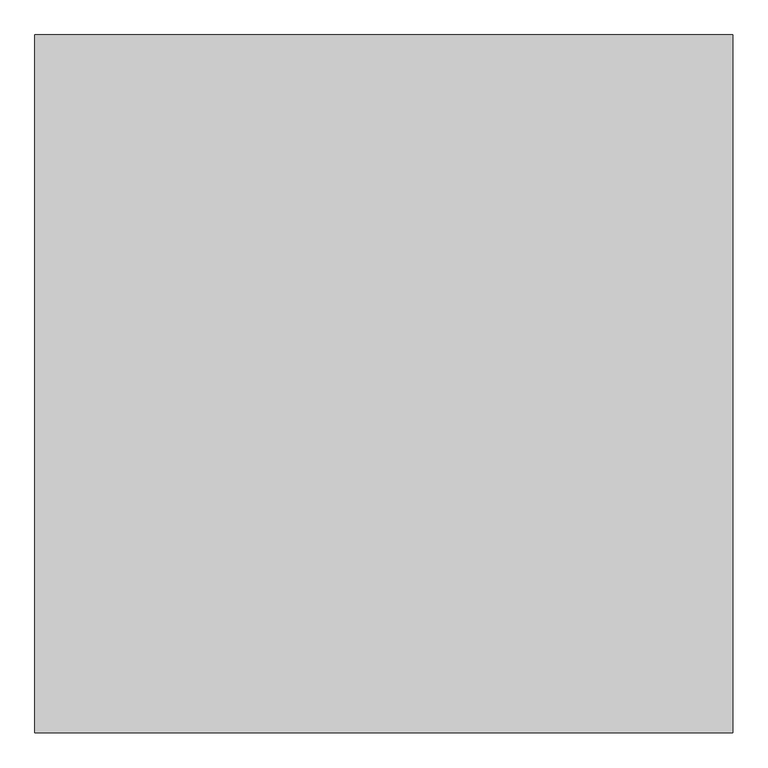
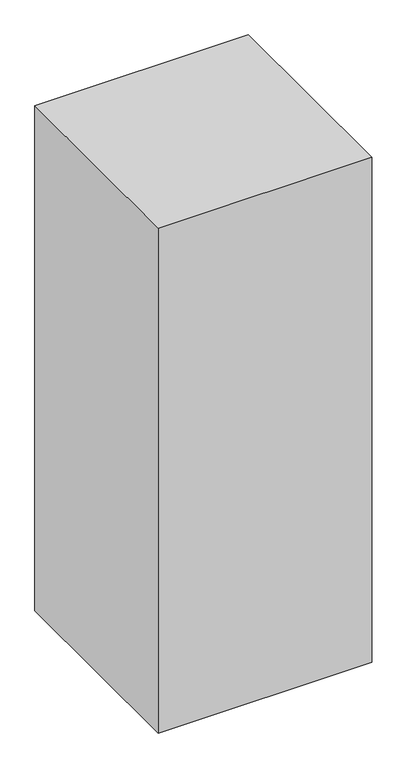
"""IFC4 building model written with IfcOpenShell, lengths in millimetres: proxy geometry."""

import ifcopenshell
import ifcopenshell.guid

model = None  # the IFC model being written
_history = None  # IfcOwnerHistory: only IFC2X3 demands one
_inside = {}  # id of a spatial element -> (the spatial element, [elements in it])
_under = {}  # id of a project, library or spatial element -> (it, [spatial elements below it])
_declared = {}  # id of a project -> (the project, [libraries it declares])
_typed = {}  # id of a type object -> (the type object, [elements of that type])
_made_of = {}  # id of a material, layer set ... -> (it, [elements and type objects made of it])


def new_model(schema):
    """Start an empty IFC model of exactly this schema.

    Asked for "IFC4X3", IfcOpenShell would pick the latest addendum, in which some entities
    have other attributes; the version numbers below select the first issue.
    IFC2X3 requires an IfcOwnerHistory on every rooted entity: one is made here for all.
    """
    global model, _history
    if schema == "IFC4X3":
        model = ifcopenshell.file(schema_version=(4, 3, 0, 0))
    else:
        model = ifcopenshell.file(schema=schema)
    _inside.clear()
    _under.clear()
    _declared.clear()
    _typed.clear()
    _made_of.clear()
    _history = None
    if model.schema == "IFC2X3":
        org = make("IfcOrganization", Name="unknown")
        user = make(
            "IfcPersonAndOrganization",
            ThePerson=make("IfcPerson", FamilyName="unknown"),
            TheOrganization=org,
        )
        app = make(
            "IfcApplication",
            ApplicationDeveloper=org,
            Version="unknown",
            ApplicationFullName="unknown",
            ApplicationIdentifier="unknown",
        )
        _history = make(
            "IfcOwnerHistory",
            OwningUser=user,
            OwningApplication=app,
            ChangeAction="ADDED",
            CreationDate=0,
        )
    return model


def make(cls, **values):
    """One entity of the class cls with the attributes given. An attribute that is None is left unset."""
    return model.create_entity(
        cls, **{name: value for name, value in values.items() if value is not None}
    )


def rooted(cls, **values):
    """An entity with a GlobalId (a new one), such as an element, a storey or a relation."""
    return make(cls, GlobalId=ifcopenshell.guid.new(), OwnerHistory=_history, **values)


def si_unit(unit_type, name, prefix=None):
    """IfcSIUnit, for example si_unit("LENGTHUNIT", "METRE", prefix="MILLI")."""
    return make("IfcSIUnit", UnitType=unit_type, Prefix=prefix, Name=name)


def assignment(units):
    """IfcUnitAssignment: the units of a project."""
    return None if units is None else make("IfcUnitAssignment", Units=units)


def point(xyz):
    """IfcCartesianPoint."""
    return None if xyz is None else make("IfcCartesianPoint", Coordinates=xyz)


def direction(xyz):
    """IfcDirection."""
    return None if xyz is None else make("IfcDirection", DirectionRatios=xyz)


def frame(location, z_axis=None, x_axis=None):
    """IfcAxis2Placement3D, a coordinate frame: its origin and axes. An axis left out is left unset."""
    return make(
        "IfcAxis2Placement3D",
        Location=point(location),
        Axis=direction(z_axis),
        RefDirection=direction(x_axis),
    )


def origin():
    """The frame at (0, 0, 0) with its axes left unset."""
    return frame((0.0, 0.0, 0.0))


def origin_with_axes():
    """The frame at (0, 0, 0) with the z axis (0, 0, 1) and the x axis (1, 0, 0) written out."""
    return frame((0.0, 0.0, 0.0), z_axis=(0.0, 0.0, 1.0), x_axis=(1.0, 0.0, 0.0))


def place(relative_to, where):
    """IfcLocalPlacement: puts the frame where relative to a parent placement (None: the world)."""
    return make(
        "IfcLocalPlacement", PlacementRelTo=relative_to, RelativePlacement=where
    )


def context(
    kind, dimensions, precision=None, world=None, true_north=None, identifier=None
):
    """IfcGeometricRepresentationContext, for example the 3D "Model" context."""
    return make(
        "IfcGeometricRepresentationContext",
        ContextIdentifier=identifier,
        ContextType=kind,
        CoordinateSpaceDimension=dimensions,
        Precision=precision,
        WorldCoordinateSystem=world,
        TrueNorth=true_north,
    )


def project(units=None, contexts=None):
    """IfcProject with its units and contexts."""
    return rooted(
        "IfcProject",
        Name="project",
        RepresentationContexts=contexts,
        UnitsInContext=assignment(units),
    )


def spatial(cls, under=None, at=None, **own):
    """A site, building, storey or space (cls), placed at a placement, below another one or the project."""
    s = rooted(cls, ObjectPlacement=at, **own)
    if under is not None:
        _under.setdefault(under.id(), (under, []))[1].append(s)
    return s


def polyline(points):
    """IfcPolyline through the points."""
    return make("IfcPolyline", Points=[point(p) for p in points])


def outline(outer, holes=None, kind="AREA"):
    """IfcArbitraryClosedProfileDef: a profile drawn as a closed curve; with holes, ...WithVoids."""
    if holes is None:
        return make("IfcArbitraryClosedProfileDef", ProfileType=kind, OuterCurve=outer)
    return make(
        "IfcArbitraryProfileDefWithVoids",
        ProfileType=kind,
        OuterCurve=outer,
        InnerCurves=holes,
    )


def extrude(swept, where, along, depth):
    """IfcExtrudedAreaSolid: the profile swept, set in the frame where, extruded along a direction by depth."""
    return make(
        "IfcExtrudedAreaSolid",
        SweptArea=swept,
        Position=where,
        ExtrudedDirection=direction(along),
        Depth=depth,
    )


def shape(context_of_items, identifier, shape_type, items):
    """IfcShapeRepresentation: the items that make up one representation, for example the "Body"."""
    return make(
        "IfcShapeRepresentation",
        ContextOfItems=context_of_items,
        RepresentationIdentifier=identifier,
        RepresentationType=shape_type,
        Items=items,
    )


def source(mapping_origin, context_of_items, identifier, shape_type, items):
    """IfcRepresentationMap: a shape defined once, which mapped items show again and again."""
    return make(
        "IfcRepresentationMap",
        MappingOrigin=mapping_origin,
        MappedRepresentation=shape(context_of_items, identifier, shape_type, items),
    )


def transform(
    local_origin,
    x_axis=None,
    y_axis=None,
    z_axis=None,
    scale=None,
    scale2=None,
    scale3=None,
    uniform=True,
):
    """IfcCartesianTransformationOperator3D, or its non-uniform kind. x_axis, y_axis, z_axis: its Axis1, 2, 3."""
    if uniform:
        return make(
            "IfcCartesianTransformationOperator3D",
            Axis1=direction(x_axis),
            Axis2=direction(y_axis),
            LocalOrigin=point(local_origin),
            Scale=scale,
            Axis3=direction(z_axis),
        )
    return make(
        "IfcCartesianTransformationOperator3DnonUniform",
        Axis1=direction(x_axis),
        Axis2=direction(y_axis),
        LocalOrigin=point(local_origin),
        Scale=scale,
        Axis3=direction(z_axis),
        Scale2=scale2,
        Scale3=scale3,
    )


def mapped(mapping_source, mapping_target):
    """IfcMappedItem: shows the shape of a source again, moved by a transform."""
    return make(
        "IfcMappedItem", MappingSource=mapping_source, MappingTarget=mapping_target
    )


def made_of(thing, what):
    """Note that an element or type object is made of a material, layer set ...; save() writes the relation."""
    if what is not None:
        _made_of.setdefault(what.id(), (what, []))[1].append(thing)
    return thing


def element(
    cls,
    number,
    at=None,
    inside=None,
    cuts=None,
    type_object=None,
    material=None,
    context=None,
    identifier="Body",
    shape_type=None,
    held_by="IfcProductDefinitionShape",
    body=None,
    shapes=None,
    **own,
):
    """One element of the class cls, such as IfcWall. Its Tag is "e" and its number.

    at: its placement. inside: the storey or other place that contains it. cuts: it is an
    opening in that element (IfcRelVoidsElement). A single representation is given by context,
    identifier, shape_type and body (its items); several are given by shapes. held_by: the class
    of the entity that holds the representations. save() writes the other relations.
    """
    e = rooted(cls, Tag="e%d" % number, ObjectPlacement=at, **own)
    if body is not None:
        shapes = [shape(context, identifier, shape_type, body)]
    if shapes is not None:
        e.Representation = make(held_by, Representations=shapes)
    if inside is not None:
        _inside.setdefault(inside.id(), (inside, []))[1].append(e)
    if cuts is not None:
        rooted(
            "IfcRelVoidsElement", RelatingBuildingElement=cuts, RelatedOpeningElement=e
        )
    if type_object is not None:
        _typed.setdefault(type_object.id(), (type_object, []))[1].append(e)
    return made_of(e, material)


def aggregate(whole, parts):
    """IfcRelAggregates: a whole, such as a stair, and the parts it consists of."""
    return rooted("IfcRelAggregates", RelatingObject=whole, RelatedObjects=parts)


def save(model, path):
    """Write the relations noted so far, then the file.

    IfcRelAggregates (storeys below a building ...), IfcRelContainedInSpatialStructure (elements
    in a storey), IfcRelDefinesByType, IfcRelAssociatesMaterial and IfcRelDeclares: one each for
    every whole, place, type object, material and project.
    """
    for whole, parts in _under.values():
        aggregate(whole, parts)
    for where, things in _inside.values():
        rooted(
            "IfcRelContainedInSpatialStructure",
            RelatedElements=things,
            RelatingStructure=where,
        )
    for kind, things in _typed.values():
        rooted("IfcRelDefinesByType", RelatedObjects=things, RelatingType=kind)
    for what, things in _made_of.values():
        rooted("IfcRelAssociatesMaterial", RelatedObjects=things, RelatingMaterial=what)
    for by, libraries in _declared.values():
        rooted("IfcRelDeclares", RelatingContext=by, RelatedDefinitions=libraries)
    model.write(path)


def generic_models_b197c3af(model_context):
    return source(origin(), model_context, "Body", "SweptSolid", [
        extrude(outline(polyline([(-480.7030535, -40.8346095), (-20480.7030535, -40.8346095), (-20480.7030535, 19959.1653905), (-480.7030535, 19959.1653905), (-480.7030535, -40.8346095)])), origin_with_axes(), (0.0, 0.0, 1.0), 50000.0),
    ])


if __name__ == "__main__":
    model = new_model("IFC4")
    model_context = context("Model", 3, world=origin())
    ifc_project = project(units=[si_unit("LENGTHUNIT", "METRE", prefix="MILLI")], contexts=[model_context])
    site = spatial("IfcSite", under=ifc_project)
    building = spatial("IfcBuilding", under=site)
    placement = place(None, origin())
    generic_models_shape = generic_models_b197c3af(model_context)
    element("IfcBuildingElementProxy", 1, Name="Generic Models", at=placement, inside=building, context=model_context, shape_type="MappedRepresentation", body=[
        mapped(generic_models_shape, transform((0.0, 0.0, 0.0), x_axis=(1.0, 0.0, 0.0), y_axis=(0.0, 1.0, 0.0), z_axis=(0.0, 0.0, 1.0))),
    ])
    save(model, "model.ifc")
